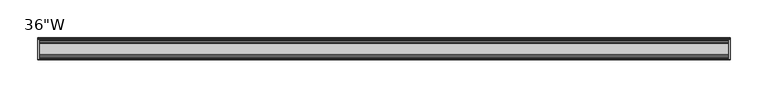
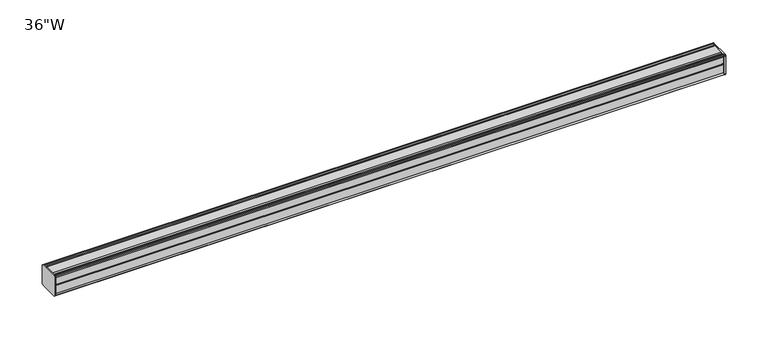
"""IFC4 building model written with IfcOpenShell, lengths in millimetres: furniture geometry."""

from ifc_helpers import new_model, si_unit, frame, origin, place, context, project, spatial, circle_curve, source, transform, mapped, element, save
from ifc_brep_helpers import plane_surface, cylinder_surface, advanced_brep


def furniture_cc484799(model_context):
    return source(origin(), model_context, "Body", "AdvancedBrep", [
        advanced_brep(
        [(455.6125, 14.5851562, 1170.7436262), (455.6125, 14.5851562, 1144.5932877), (455.6125, 14.4138595, 1143.7873997), (455.6125, 13.8374434, 1143.2109837), (455.6125, 12.9019306, 1142.9603131), (455.6125, -13.4067434, 1142.9603131), (455.6125, -14.3040014, 1143.8575711), (455.6125, -14.5851563, 1144.6259798), (455.6125, -14.5851563, 1170.5443327), (455.6125, -14.3040014, 1171.3127414), (455.6125, -13.4464303, 1172.1703125), (455.6125, 13.0500437, 1172.1703125), (455.6125, 13.8374434, 1171.9593288), (455.6125, 14.4138595, 1171.3829128), (457.2, 14.6248431, 1170.5955131), (457.2, 14.4138595, 1171.3829128), (457.2, 13.8374434, 1171.9593288), (457.2, 13.0500437, 1172.1703125), (457.2, -13.4464303, 1172.1703125), (457.2, -14.3040014, 1171.3127414), (457.2, -14.5851563, 1170.5443327), (457.2, -14.5851563, 1144.6259798), (457.2, -14.3040014, 1143.8575711), (457.2, -13.4067434, 1142.9603131), (457.2, 12.9019306, 1142.9603131), (457.2, 13.8374434, 1143.2109837), (457.2, 14.4138595, 1143.7873997), (457.2, 14.5851562, 1144.5932877)],
        [
            (0, 1),
            (1, 2),
            (2, 3),
            (3, 4),
            (4, 5),
            (5, 6),
            (6, 7, circle_curve(frame((455.6125, -13.3945313, 1144.6259798), z_axis=(-1.0, 0.0, 0.0), x_axis=(0.0, 1.0, 0.0)), 1.190625)),
            (7, 8),
            (8, 9, circle_curve(frame((455.6125, -13.3945313, 1170.5443327), z_axis=(-1.0, 0.0, 0.0), x_axis=(0.0, 1.0, 0.0)), 1.190625)),
            (9, 10),
            (10, 11),
            (11, 12),
            (12, 13),
            (13, 0),
            (14, 15),
            (15, 16),
            (16, 17),
            (17, 18),
            (18, 19),
            (19, 20, circle_curve(frame((457.2, -13.3945313, 1170.5443327), z_axis=(1.0, 0.0, 0.0), x_axis=(0.0, 1.0, 0.0)), 1.190625)),
            (20, 21),
            (21, 22, circle_curve(frame((457.2, -13.3945313, 1144.6259798), z_axis=(1.0, 0.0, 0.0), x_axis=(0.0, 1.0, 0.0)), 1.190625)),
            (22, 23),
            (23, 24),
            (24, 25),
            (25, 26),
            (26, 27),
            (27, 14),
            (13, 15),
            (14, 0),
            (12, 16),
            (11, 17),
            (10, 18),
            (9, 19),
            (8, 20),
            (7, 21),
            (6, 22),
            (5, 23),
            (4, 24),
            (3, 25),
            (2, 26),
            (1, 27),
        ],
        [
            plane_surface(frame((455.6125, 14.5851562, 1144.5932877), z_axis=(-1.0, 0.0, 0.0), x_axis=(0.0, 0.0, -1.0))),
            plane_surface(frame((457.2, 14.5851562, 1144.5932877), z_axis=(1.0, 0.0, 0.0), x_axis=(0.0, 0.0, 1.0))),
            plane_surface(frame((455.6125, 14.4138595, 1171.3829128), z_axis=(0.0, 0.9659256560349851, 0.25881968049857335), x_axis=(1.0, 0.0, 0.0))),
            plane_surface(frame((455.6125, 13.8374434, 1171.9593288), z_axis=(0.0, 0.7071067811866345, 0.7071067811864606), x_axis=(1.0, 0.0, 0.0))),
            plane_surface(frame((455.6125, 13.0500437, 1172.1703125), z_axis=(0.0, 0.2588196804711877, 0.9659256560423232), x_axis=(1.0, 0.0, 0.0))),
            plane_surface(frame((455.6125, -13.4464303, 1172.1703125), z_axis=(0.0, 0.0, 1.0), x_axis=(1.0, 0.0, 0.0))),
            plane_surface(frame((455.6125, -14.3040014, 1171.3127414), z_axis=(0.0, -0.70710678117674, 0.7071067811963553), x_axis=(1.0, 0.0, 0.0))),
            cylinder_surface(frame((457.2, -13.3945313, 1170.5443327), z_axis=(-1.0, 0.0, 0.0), x_axis=(0.0, 1.0, 0.0)), 1.190625),
            plane_surface(frame((455.6125, -14.5851563, 1144.6259798), z_axis=(0.0, -1.0, 0.0), x_axis=(1.0, 0.0, 0.0))),
            cylinder_surface(frame((457.2, -13.3945313, 1144.6259798), z_axis=(-1.0, 0.0, 0.0), x_axis=(0.0, 1.0, 0.0)), 1.190625),
            plane_surface(frame((455.6125, -13.4067434, 1142.9603131), z_axis=(0.0, -0.7071067811917087, -0.7071067811813864), x_axis=(1.0, 0.0, 0.0))),
            plane_surface(frame((455.6125, 12.9019306, 1142.9603131), z_axis=(0.0, 0.0, -1.0), x_axis=(1.0, 0.0, 0.0))),
            plane_surface(frame((455.6125, 13.8374434, 1143.2109837), z_axis=(0.0, 0.2588196804985645, -0.9659256560349875), x_axis=(1.0, 0.0, 0.0))),
            plane_surface(frame((455.6125, 14.4138595, 1143.7873997), z_axis=(0.0, 0.7071067811865204, -0.7071067811865748), x_axis=(1.0, 0.0, 0.0))),
            plane_surface(frame((455.6125, 14.5851562, 1144.5932877), z_axis=(0.0, 0.9781476007310527, -0.207911690830711), x_axis=(1.0, 0.0, 0.0))),
            plane_surface(frame((455.6125, 14.5851562, 1170.7436262), z_axis=(0.0, 1.0, 0.0), x_axis=(1.0, 0.0, 0.0))),
        ],
        [
            (0, [[1, 2, 3, 4, 5, 6, 7, 8, 9, 10, 11, 12, 13, 14]]),
            (1, [[15, 16, 17, 18, 19, 20, 21, 22, 23, 24, 25, 26, 27, 28]]),
            (2, [[-14, 29, -15, 30]]),
            (3, [[-13, 31, -16, -29]]),
            (4, [[-12, 32, -17, -31]]),
            (5, [[-11, 33, -18, -32]]),
            (6, [[-10, 34, -19, -33]]),
            (7, [[-9, 35, -20, -34]]),
            (8, [[-8, 36, -21, -35]]),
            (9, [[-7, 37, -22, -36]]),
            (10, [[-6, 38, -23, -37]]),
            (11, [[-5, 39, -24, -38]]),
            (12, [[-4, 40, -25, -39]]),
            (13, [[-3, 41, -26, -40]]),
            (14, [[-2, 42, -27, -41]]),
            (15, [[-1, -30, -28, -42]]),
        ],
    ),
        advanced_brep(
        [(-455.6125, 14.6248431, 1170.5955131), (-455.6125, 14.4138595, 1171.3829128), (-455.6125, 13.8374434, 1171.9593288), (-455.6125, 13.0500437, 1172.1703125), (-455.6125, -13.4464303, 1172.1703125), (-455.6125, -14.3040014, 1171.3127414), (-455.6125, -14.5851563, 1170.5443327), (-455.6125, -14.5851563, 1144.6259798), (-455.6125, -14.3040014, 1143.8575711), (-455.6125, -13.4067434, 1142.9603131), (-455.6125, 12.9019306, 1142.9603131), (-455.6125, 13.8374434, 1143.2109837), (-455.6125, 14.4138595, 1143.7873997), (-455.6125, 14.5851562, 1144.5932877), (-457.2, 14.5851562, 1170.7436262), (-457.2, 14.5851562, 1144.5932877), (-457.2, 14.4138595, 1143.7873997), (-457.2, 13.8374434, 1143.2109837), (-457.2, 12.9019306, 1142.9603131), (-457.2, -13.4067434, 1142.9603131), (-457.2, -14.3040014, 1143.8575711), (-457.2, -14.5851563, 1144.6259798), (-457.2, -14.5851563, 1170.5443327), (-457.2, -14.3040014, 1171.3127414), (-457.2, -13.4464303, 1172.1703125), (-457.2, 13.0500437, 1172.1703125), (-457.2, 13.8374434, 1171.9593288), (-457.2, 14.4138595, 1171.3829128)],
        [
            (0, 1),
            (1, 2),
            (2, 3),
            (3, 4),
            (4, 5),
            (5, 6, circle_curve(frame((-455.6125, -13.3945313, 1170.5443327), z_axis=(1.0, 0.0, 0.0), x_axis=(0.0, 1.0, 0.0)), 1.190625)),
            (6, 7),
            (7, 8, circle_curve(frame((-455.6125, -13.3945313, 1144.6259798), z_axis=(1.0, 0.0, 0.0), x_axis=(0.0, 1.0, 0.0)), 1.190625)),
            (8, 9),
            (9, 10),
            (10, 11),
            (11, 12),
            (12, 13),
            (13, 0),
            (14, 15),
            (15, 16),
            (16, 17),
            (17, 18),
            (18, 19),
            (19, 20),
            (20, 21, circle_curve(frame((-457.2, -13.3945313, 1144.6259798), z_axis=(-1.0, 0.0, 0.0), x_axis=(0.0, 1.0, 0.0)), 1.190625)),
            (21, 22),
            (22, 23, circle_curve(frame((-457.2, -13.3945313, 1170.5443327), z_axis=(-1.0, 0.0, 0.0), x_axis=(0.0, 1.0, 0.0)), 1.190625)),
            (23, 24),
            (24, 25),
            (25, 26),
            (26, 27),
            (27, 14),
            (0, 14),
            (27, 1),
            (26, 2),
            (25, 3),
            (24, 4),
            (23, 5),
            (22, 6),
            (21, 7),
            (20, 8),
            (19, 9),
            (18, 10),
            (17, 11),
            (16, 12),
            (15, 13),
        ],
        [
            plane_surface(frame((-455.6125, 14.6248431, 1170.5955131), z_axis=(1.0, 0.0, 0.0), x_axis=(0.0, -0.25881968044228537, 0.9659256560500675))),
            plane_surface(frame((-457.2, 14.6248431, 1170.5955131), z_axis=(-1.0, 0.0, 0.0), x_axis=(0.0, 0.25881968044228537, -0.9659256560500675))),
            plane_surface(frame((-455.6125, 14.6248431, 1170.5955131), z_axis=(0.0, 0.9659256560500675, 0.25881968044228537), x_axis=(-1.0, 0.0, 0.0))),
            plane_surface(frame((-455.6125, 14.4138595, 1171.3829128), z_axis=(0.0, 0.7071067810741031, 0.7071067812989921), x_axis=(-1.0, 0.0, 0.0))),
            plane_surface(frame((-455.6125, 13.8374434, 1171.9593288), z_axis=(0.0, 0.2588196804841774, 0.9659256560388426), x_axis=(-1.0, 0.0, 0.0))),
            plane_surface(frame((-455.6125, 13.0500437, 1172.1703125), z_axis=(0.0, 0.0, 1.0), x_axis=(-1.0, 0.0, 0.0))),
            plane_surface(frame((-455.6125, -13.4464303, 1172.1703125), z_axis=(0.0, -0.7071067811879113, 0.7071067811851839), x_axis=(-1.0, 0.0, 0.0))),
            cylinder_surface(frame((-457.2, -13.3945313, 1170.5443327), z_axis=(1.0, 0.0, 0.0), x_axis=(0.0, 1.0, 0.0)), 1.190625),
            plane_surface(frame((-455.6125, -14.5851563, 1170.5443327), z_axis=(0.0, -1.0, 0.0), x_axis=(-1.0, 0.0, 0.0))),
            cylinder_surface(frame((-457.2, -13.3945313, 1144.6259798), z_axis=(1.0, 0.0, 0.0), x_axis=(0.0, 1.0, 0.0)), 1.190625),
            plane_surface(frame((-455.6125, -14.3040014, 1143.8575711), z_axis=(0.0, -0.7071067811865859, -0.7071067811865093), x_axis=(-1.0, 0.0, 0.0))),
            plane_surface(frame((-455.6125, -13.4067434, 1142.9603131), z_axis=(0.0, 0.0, -1.0), x_axis=(-1.0, 0.0, 0.0))),
            plane_surface(frame((-455.6125, 12.9019306, 1142.9603131), z_axis=(0.0, 0.25881968049856513, -0.9659256560349874), x_axis=(-1.0, 0.0, 0.0))),
            plane_surface(frame((-455.6125, 13.8374434, 1143.2109837), z_axis=(0.0, 0.707106781186519, -0.7071067811865761), x_axis=(-1.0, 0.0, 0.0))),
            plane_surface(frame((-455.6125, 14.4138595, 1143.7873997), z_axis=(0.0, 0.9781476007315685, -0.20791169082828442), x_axis=(-1.0, 0.0, 0.0))),
            plane_surface(frame((-455.6125, 14.5851562, 1144.5932877), z_axis=(0.0, 1.0, 0.0), x_axis=(-1.0, 0.0, 0.0))),
        ],
        [
            (0, [[1, 2, 3, 4, 5, 6, 7, 8, 9, 10, 11, 12, 13, 14]]),
            (1, [[15, 16, 17, 18, 19, 20, 21, 22, 23, 24, 25, 26, 27, 28]]),
            (2, [[-1, 29, -28, 30]]),
            (3, [[-2, -30, -27, 31]]),
            (4, [[-3, -31, -26, 32]]),
            (5, [[-4, -32, -25, 33]]),
            (6, [[-5, -33, -24, 34]]),
            (7, [[-6, -34, -23, 35]]),
            (8, [[-7, -35, -22, 36]]),
            (9, [[-8, -36, -21, 37]]),
            (10, [[-9, -37, -20, 38]]),
            (11, [[-10, -38, -19, 39]]),
            (12, [[-11, -39, -18, 40]]),
            (13, [[-12, -40, -17, 41]]),
            (14, [[-13, -41, -16, 42]]),
            (15, [[-14, -42, -15, -29]]),
        ],
    ),
        advanced_brep(
        [(455.6125, -7.3748315, 1172.1703125), (455.6125, -8.9105708, 1171.1395796), (455.6125, -10.7601399, 1171.1395796), (455.6125, -12.2958792, 1172.1703125), (455.6125, -13.4464303, 1172.1703125), (455.6125, -14.3040014, 1171.3127414), (455.6125, -13.3945313, 1169.3537077), (455.6125, -13.3945313, 1170.265312), (455.6125, -12.2039063, 1170.265312), (455.6125, -12.2039063, 1158.3590632), (455.6125, -11.4101564, 1157.5653134), (455.6125, -12.2039063, 1156.7715636), (455.6125, -12.2039063, 1144.8653131), (455.6125, -13.3945313, 1144.8653131), (455.6125, -13.3945313, 1145.8166048), (455.6125, -14.3040014, 1143.8575711), (455.6125, -13.4067434, 1142.9603131), (455.6125, -12.2958792, 1142.9603131), (455.6125, -10.7601399, 1143.9910471), (455.6125, -8.9105708, 1143.9910471), (455.6125, -7.4339628, 1143.0), (455.6125, 7.4145184, 1143.0), (455.6125, 8.9502576, 1144.0307329), (455.6125, 10.7998291, 1144.0307329), (455.6125, 12.2275037, 1143.0), (455.6125, 13.0500437, 1143.0), (455.6125, 13.8374434, 1143.2109837), (455.6125, 14.4138595, 1143.7873997), (455.6125, 14.5851562, 1144.5932877), (455.6125, 14.5851562, 1170.7436262), (455.6125, 14.4138595, 1171.3829128), (455.6125, 13.8374434, 1171.9593288), (455.6125, 13.0500437, 1172.1703125), (455.6125, 12.2275037, 1172.1703125), (455.6125, 10.7998291, 1171.1395796), (455.6125, 8.9502576, 1171.1395796), (455.6125, 7.4145184, 1172.1703125), (-455.6125, -7.3748315, 1172.1703125), (-455.6125, 7.4145184, 1172.1703125), (-455.6125, 8.9502576, 1171.1395796), (-455.6125, 10.7998291, 1171.1395796), (-455.6125, 12.2275037, 1172.1703125), (-455.6125, 13.0500437, 1172.1703125), (-455.6125, 13.8374434, 1171.9593288), (-455.6125, 14.4138595, 1171.3829128), (-455.6125, 14.6248431, 1170.5955131), (-455.6125, 14.5851562, 1144.5932877), (-455.6125, 14.4138595, 1143.7873997), (-455.6125, 13.8374434, 1143.2109837), (-455.6125, 13.0500437, 1143.0), (-455.6125, 12.2275037, 1143.0), (-455.6125, 10.7998291, 1144.0307329), (-455.6125, 8.9502576, 1144.0307329), (-455.6125, 7.4145184, 1143.0), (-455.6125, -7.4339628, 1143.0), (-455.6125, -8.9105708, 1143.9910471), (-455.6125, -10.7601399, 1143.9910471), (-455.6125, -12.2958792, 1142.9603131), (-455.6125, -13.4067434, 1142.9603131), (-455.6125, -14.3040014, 1143.8575711), (-455.6125, -13.3945313, 1145.8166048), (-455.6125, -13.3945313, 1144.8653131), (-455.6125, -12.2039063, 1144.8653131), (-455.6125, -12.2039063, 1156.7715636), (-455.6125, -11.4101564, 1157.5653134), (-455.6125, -12.2039063, 1158.3590632), (-455.6125, -12.2039063, 1170.265312), (-455.6125, -13.3945313, 1170.265312), (-455.6125, -13.3945313, 1169.3537077), (-455.6125, -14.3040014, 1171.3127414), (-455.6125, -13.4464303, 1172.1703125), (-455.6125, -12.2958792, 1172.1703125), (-455.6125, -10.7601399, 1171.1395796), (-455.6125, -8.9105708, 1171.1395796)],
        [
            (0, 1),
            (1, 2),
            (2, 3),
            (3, 4),
            (4, 5),
            (5, 6, circle_curve(frame((455.6125, -13.3945313, 1170.5443327), z_axis=(1.0, 0.0, 0.0), x_axis=(0.0, 1.0, 0.0)), 1.190625)),
            (6, 7),
            (7, 8),
            (8, 9),
            (9, 10),
            (10, 11),
            (11, 12),
            (12, 13),
            (13, 14),
            (14, 15, circle_curve(frame((455.6125, -13.3945313, 1144.6259798), z_axis=(1.0, 0.0, 0.0), x_axis=(0.0, 1.0, 0.0)), 1.190625)),
            (15, 16),
            (16, 17),
            (17, 18),
            (18, 19),
            (19, 20),
            (20, 21),
            (21, 22),
            (22, 23),
            (23, 24),
            (24, 25),
            (25, 26),
            (26, 27),
            (27, 28),
            (28, 29),
            (29, 30),
            (30, 31),
            (31, 32),
            (32, 33),
            (33, 34),
            (34, 35),
            (35, 36),
            (36, 0),
            (37, 38),
            (38, 39),
            (39, 40),
            (40, 41),
            (41, 42),
            (42, 43),
            (43, 44),
            (44, 45),
            (45, 46),
            (46, 47),
            (47, 48),
            (48, 49),
            (49, 50),
            (50, 51),
            (51, 52),
            (52, 53),
            (53, 54),
            (54, 55),
            (55, 56),
            (56, 57),
            (57, 58),
            (58, 59),
            (59, 60, circle_curve(frame((-455.6125, -13.3945313, 1144.6259798), z_axis=(-1.0, 0.0, 0.0), x_axis=(0.0, 1.0, 0.0)), 1.190625)),
            (60, 61),
            (61, 62),
            (62, 63),
            (63, 64),
            (64, 65),
            (65, 66),
            (66, 67),
            (67, 68),
            (68, 69, circle_curve(frame((-455.6125, -13.3945313, 1170.5443327), z_axis=(-1.0, 0.0, 0.0), x_axis=(0.0, 1.0, 0.0)), 1.190625)),
            (69, 70),
            (70, 71),
            (71, 72),
            (72, 73),
            (73, 37),
            (0, 37),
            (73, 1),
            (72, 2),
            (71, 3),
            (70, 4),
            (69, 5),
            (68, 6),
            (67, 7),
            (66, 8),
            (65, 9),
            (64, 10),
            (63, 11),
            (62, 12),
            (61, 13),
            (60, 14),
            (59, 15),
            (58, 16),
            (57, 17),
            (56, 18),
            (55, 19),
            (54, 20),
            (53, 21),
            (52, 22),
            (51, 23),
            (50, 24),
            (49, 25),
            (48, 26),
            (47, 27),
            (46, 28),
            (45, 29),
            (44, 30),
            (43, 31),
            (42, 32),
            (41, 33),
            (40, 34),
            (39, 35),
            (38, 36),
        ],
        [
            plane_surface(frame((455.6125, -7.3748315, 1172.1703125), z_axis=(1.0, 0.0, 0.0), x_axis=(0.0, -0.8303227972603312, -0.5572827400429506))),
            plane_surface(frame((-455.6125, -7.3748315, 1172.1703125), z_axis=(-1.0, 0.0, 0.0), x_axis=(0.0, 0.8303227972603312, 0.5572827400429506))),
            plane_surface(frame((455.6125, -7.3748315, 1172.1703125), z_axis=(0.0, -0.5572827400429506, 0.8303227972603312), x_axis=(-1.0, 0.0, 0.0))),
            plane_surface(frame((455.6125, -8.9105708, 1171.1395796), z_axis=(0.0, 0.0, 1.0), x_axis=(-1.0, 0.0, 0.0))),
            plane_surface(frame((455.6125, -10.7601399, 1171.1395796), z_axis=(0.0, 0.557282740042951, 0.8303227972603311), x_axis=(-1.0, 0.0, 0.0))),
            plane_surface(frame((455.6125, -12.2958792, 1172.1703125), z_axis=(0.0, 0.0, 1.0), x_axis=(-1.0, 0.0, 0.0))),
            plane_surface(frame((455.6125, -13.4464303, 1172.1703125), z_axis=(0.0, -0.7071067811813769, 0.7071067811917182), x_axis=(-1.0, 0.0, 0.0))),
            cylinder_surface(frame((-455.6125, -13.3945313, 1170.5443327), z_axis=(1.0, 0.0, 0.0), x_axis=(0.0, 1.0, 0.0)), 1.190625),
            plane_surface(frame((455.6125, -13.3945313, 1169.3537077), z_axis=(0.0, 1.0, 0.0), x_axis=(-1.0, 0.0, 0.0))),
            plane_surface(frame((455.6125, -13.3945313, 1170.265312), z_axis=(0.0, 0.0, -1.0), x_axis=(-1.0, 0.0, 0.0))),
            plane_surface(frame((455.6125, -12.2039063, 1170.265312), z_axis=(0.0, -1.0, 0.0), x_axis=(-1.0, 0.0, 0.0))),
            plane_surface(frame((455.6125, -12.2039063, 1158.3590632), z_axis=(0.0, -0.7071067811865146, -0.7071067811865805), x_axis=(-1.0, 0.0, 0.0))),
            plane_surface(frame((455.6125, -11.4101564, 1157.5653134), z_axis=(0.0, -0.7071067811865522, 0.7071067811865428), x_axis=(-1.0, 0.0, 0.0))),
            plane_surface(frame((455.6125, -12.2039063, 1156.7715636), z_axis=(0.0, -1.0, 0.0), x_axis=(-1.0, 0.0, 0.0))),
            plane_surface(frame((455.6125, -12.2039063, 1144.8653131), z_axis=(0.0, 0.0, 1.0), x_axis=(-1.0, 0.0, 0.0))),
            plane_surface(frame((455.6125, -13.3945313, 1144.8653131), z_axis=(0.0, 1.0, 0.0), x_axis=(-1.0, 0.0, 0.0))),
            cylinder_surface(frame((-455.6125, -13.3945313, 1144.6259798), z_axis=(1.0, 0.0, 0.0), x_axis=(0.0, 1.0, 0.0)), 1.190625),
            plane_surface(frame((455.6125, -14.3040014, 1143.8575711), z_axis=(0.0, -0.7071067811865892, -0.7071067811865058), x_axis=(-1.0, 0.0, 0.0))),
            plane_surface(frame((455.6125, -13.4067434, 1142.9603131), z_axis=(0.0, 0.0, -1.0), x_axis=(-1.0, 0.0, 0.0))),
            plane_surface(frame((455.6125, -12.2958792, 1142.9603131), z_axis=(0.0, 0.5572831632988446, -0.8303225131860712), x_axis=(-1.0, 0.0, 0.0))),
            plane_surface(frame((455.6125, -10.7601399, 1143.9910471), z_axis=(0.0, 0.0, -1.0), x_axis=(-1.0, 0.0, 0.0))),
            plane_surface(frame((455.6125, -8.9105708, 1143.9910471), z_axis=(0.0, -0.5572831633036728, -0.8303225131828307), x_axis=(-1.0, 0.0, 0.0))),
            plane_surface(frame((455.6125, -7.4339628, 1143.0), z_axis=(0.0, 0.0, -1.0), x_axis=(-1.0, 0.0, 0.0))),
            plane_surface(frame((455.6125, 7.4145184, 1143.0), z_axis=(0.0, 0.5572827400522353, -0.8303227972540997), x_axis=(-1.0, 0.0, 0.0))),
            plane_surface(frame((455.6125, 8.9502576, 1144.0307329), z_axis=(0.0, 0.0, -1.0), x_axis=(-1.0, 0.0, 0.0))),
            plane_surface(frame((455.6125, 10.7998291, 1144.0307329), z_axis=(0.0, -0.5853541342124147, -0.8107777362264177), x_axis=(-1.0, 0.0, 0.0))),
            plane_surface(frame((455.6125, 12.2275037, 1143.0), z_axis=(0.0, 0.0, -1.0), x_axis=(-1.0, 0.0, 0.0))),
            plane_surface(frame((455.6125, 13.0500437, 1143.0), z_axis=(0.0, 0.2588196804985639, -0.9659256560349877), x_axis=(-1.0, 0.0, 0.0))),
            plane_surface(frame((455.6125, 13.8374434, 1143.2109837), z_axis=(0.0, 0.7071067811865592, -0.7071067811865358), x_axis=(-1.0, 0.0, 0.0))),
            plane_surface(frame((455.6125, 14.4138595, 1143.7873997), z_axis=(0.0, 0.9781476007315686, -0.20791169082828392), x_axis=(-1.0, 0.0, 0.0))),
            plane_surface(frame((455.6125, 14.5851562, 1144.5932877), z_axis=(0.0, 1.0, 0.0), x_axis=(-1.0, 0.0, 0.0))),
            plane_surface(frame((455.6125, 14.6248431, 1170.5955131), z_axis=(0.0, 0.9659256560501565, 0.2588196804419535), x_axis=(-1.0, 0.0, 0.0))),
            plane_surface(frame((455.6125, 14.4138595, 1171.3829128), z_axis=(0.0, 0.7071067810733027, 0.7071067812997924), x_axis=(-1.0, 0.0, 0.0))),
            plane_surface(frame((455.6125, 13.8374434, 1171.9593288), z_axis=(0.0, 0.2588196804843108, 0.9659256560388069), x_axis=(-1.0, 0.0, 0.0))),
            plane_surface(frame((455.6125, 13.0500437, 1172.1703125), z_axis=(0.0, 0.0, 1.0), x_axis=(-1.0, 0.0, 0.0))),
            plane_surface(frame((455.6125, 12.2275037, 1172.1703125), z_axis=(0.0, -0.5853541342077658, 0.810777736229774), x_axis=(-1.0, 0.0, 0.0))),
            plane_surface(frame((455.6125, 10.7998291, 1171.1395796), z_axis=(0.0, 0.0, 1.0), x_axis=(-1.0, 0.0, 0.0))),
            plane_surface(frame((455.6125, 8.9502576, 1171.1395796), z_axis=(0.0, 0.557282740042951, 0.8303227972603311), x_axis=(-1.0, 0.0, 0.0))),
            plane_surface(frame((455.6125, 7.4145184, 1172.1703125), z_axis=(0.0, 0.0, 1.0), x_axis=(-1.0, 0.0, 0.0))),
        ],
        [
            (0, [[1, 2, 3, 4, 5, 6, 7, 8, 9, 10, 11, 12, 13, 14, 15, 16, 17, 18, 19, 20, 21, 22, 23, 24, 25, 26, 27, 28, 29, 30, 31, 32, 33, 34, 35, 36, 37]]),
            (1, [[38, 39, 40, 41, 42, 43, 44, 45, 46, 47, 48, 49, 50, 51, 52, 53, 54, 55, 56, 57, 58, 59, 60, 61, 62, 63, 64, 65, 66, 67, 68, 69, 70, 71, 72, 73, 74]]),
            (2, [[-1, 75, -74, 76]]),
            (3, [[-2, -76, -73, 77]]),
            (4, [[-3, -77, -72, 78]]),
            (5, [[-4, -78, -71, 79]]),
            (6, [[-5, -79, -70, 80]]),
            (7, [[-6, -80, -69, 81]]),
            (8, [[-7, -81, -68, 82]]),
            (9, [[-8, -82, -67, 83]]),
            (10, [[-9, -83, -66, 84]]),
            (11, [[-10, -84, -65, 85]]),
            (12, [[-11, -85, -64, 86]]),
            (13, [[-12, -86, -63, 87]]),
            (14, [[-13, -87, -62, 88]]),
            (15, [[-14, -88, -61, 89]]),
            (16, [[-15, -89, -60, 90]]),
            (17, [[-16, -90, -59, 91]]),
            (18, [[-17, -91, -58, 92]]),
            (19, [[-18, -92, -57, 93]]),
            (20, [[-19, -93, -56, 94]]),
            (21, [[-20, -94, -55, 95]]),
            (22, [[-21, -95, -54, 96]]),
            (23, [[-22, -96, -53, 97]]),
            (24, [[-23, -97, -52, 98]]),
            (25, [[-24, -98, -51, 99]]),
            (26, [[-25, -99, -50, 100]]),
            (27, [[-26, -100, -49, 101]]),
            (28, [[-27, -101, -48, 102]]),
            (29, [[-28, -102, -47, 103]]),
            (30, [[-29, -103, -46, 104]]),
            (31, [[-30, -104, -45, 105]]),
            (32, [[-31, -105, -44, 106]]),
            (33, [[-32, -106, -43, 107]]),
            (34, [[-33, -107, -42, 108]]),
            (35, [[-34, -108, -41, 109]]),
            (36, [[-35, -109, -40, 110]]),
            (37, [[-36, -110, -39, 111]]),
            (38, [[-37, -111, -38, -75]]),
        ],
    ),
    ])


if __name__ == "__main__":
    model = new_model("IFC4")
    model_context = context("Model", 3, world=origin())
    ifc_project = project(units=[si_unit("LENGTHUNIT", "METRE", prefix="MILLI")], contexts=[model_context])
    site = spatial("IfcSite", under=ifc_project)
    building = spatial("IfcBuilding", under=site)
    placement = place(None, origin())
    furniture_shape = furniture_cc484799(model_context)
    element("IfcFurniture", 1, ObjectType="36\"W", at=placement, inside=building, context=model_context, shape_type="MappedRepresentation", body=[
        mapped(furniture_shape, transform((0.0, 0.0, 0.0), x_axis=(1.0, 0.0, 0.0), y_axis=(0.0, 1.0, 0.0), z_axis=(0.0, 0.0, 1.0))),
    ])
    save(model, "model.ifc")
